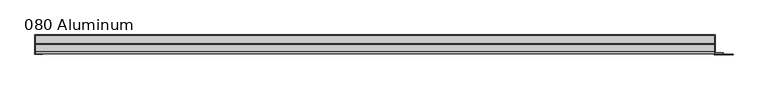
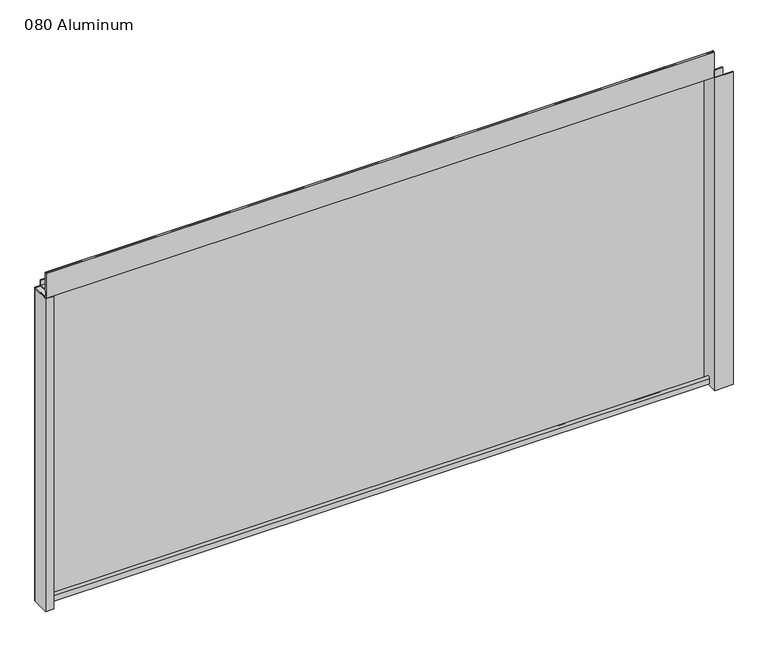
"""IFC4 building model written with IfcOpenShell, lengths in millimetres: plate geometry, 080 Aluminum."""

import ifcopenshell
import ifcopenshell.guid

model = None  # the IFC model being written
_history = None  # IfcOwnerHistory: only IFC2X3 demands one
_inside = {}  # id of a spatial element -> (the spatial element, [elements in it])
_under = {}  # id of a project, library or spatial element -> (it, [spatial elements below it])
_declared = {}  # id of a project -> (the project, [libraries it declares])
_typed = {}  # id of a type object -> (the type object, [elements of that type])
_made_of = {}  # id of a material, layer set ... -> (it, [elements and type objects made of it])


def new_model(schema):
    """Start an empty IFC model of exactly this schema.

    Asked for "IFC4X3", IfcOpenShell would pick the latest addendum, in which some entities
    have other attributes; the version numbers below select the first issue.
    IFC2X3 requires an IfcOwnerHistory on every rooted entity: one is made here for all.
    """
    global model, _history
    if schema == "IFC4X3":
        model = ifcopenshell.file(schema_version=(4, 3, 0, 0))
    else:
        model = ifcopenshell.file(schema=schema)
    _inside.clear()
    _under.clear()
    _declared.clear()
    _typed.clear()
    _made_of.clear()
    _history = None
    if model.schema == "IFC2X3":
        org = make("IfcOrganization", Name="unknown")
        user = make(
            "IfcPersonAndOrganization",
            ThePerson=make("IfcPerson", FamilyName="unknown"),
            TheOrganization=org,
        )
        app = make(
            "IfcApplication",
            ApplicationDeveloper=org,
            Version="unknown",
            ApplicationFullName="unknown",
            ApplicationIdentifier="unknown",
        )
        _history = make(
            "IfcOwnerHistory",
            OwningUser=user,
            OwningApplication=app,
            ChangeAction="ADDED",
            CreationDate=0,
        )
    return model


def make(cls, **values):
    """One entity of the class cls with the attributes given. An attribute that is None is left unset."""
    return model.create_entity(
        cls, **{name: value for name, value in values.items() if value is not None}
    )


def rooted(cls, **values):
    """An entity with a GlobalId (a new one), such as an element, a storey or a relation."""
    return make(cls, GlobalId=ifcopenshell.guid.new(), OwnerHistory=_history, **values)


def si_unit(unit_type, name, prefix=None):
    """IfcSIUnit, for example si_unit("LENGTHUNIT", "METRE", prefix="MILLI")."""
    return make("IfcSIUnit", UnitType=unit_type, Prefix=prefix, Name=name)


def assignment(units):
    """IfcUnitAssignment: the units of a project."""
    return None if units is None else make("IfcUnitAssignment", Units=units)


def point(xyz):
    """IfcCartesianPoint."""
    return None if xyz is None else make("IfcCartesianPoint", Coordinates=xyz)


def direction(xyz):
    """IfcDirection."""
    return None if xyz is None else make("IfcDirection", DirectionRatios=xyz)


def frame(location, z_axis=None, x_axis=None):
    """IfcAxis2Placement3D, a coordinate frame: its origin and axes. An axis left out is left unset."""
    return make(
        "IfcAxis2Placement3D",
        Location=point(location),
        Axis=direction(z_axis),
        RefDirection=direction(x_axis),
    )


def frame_2d(location, x_axis=None):
    """IfcAxis2Placement2D, a coordinate frame in the plane: its origin and x axis."""
    return make(
        "IfcAxis2Placement2D", Location=point(location), RefDirection=direction(x_axis)
    )


def origin():
    """The frame at (0, 0, 0) with its axes left unset."""
    return frame((0.0, 0.0, 0.0))


def origin_with_axes():
    """The frame at (0, 0, 0) with the z axis (0, 0, 1) and the x axis (1, 0, 0) written out."""
    return frame((0.0, 0.0, 0.0), z_axis=(0.0, 0.0, 1.0), x_axis=(1.0, 0.0, 0.0))


def place(relative_to, where):
    """IfcLocalPlacement: puts the frame where relative to a parent placement (None: the world)."""
    return make(
        "IfcLocalPlacement", PlacementRelTo=relative_to, RelativePlacement=where
    )


def context(
    kind, dimensions, precision=None, world=None, true_north=None, identifier=None
):
    """IfcGeometricRepresentationContext, for example the 3D "Model" context."""
    return make(
        "IfcGeometricRepresentationContext",
        ContextIdentifier=identifier,
        ContextType=kind,
        CoordinateSpaceDimension=dimensions,
        Precision=precision,
        WorldCoordinateSystem=world,
        TrueNorth=true_north,
    )


def project(units=None, contexts=None):
    """IfcProject with its units and contexts."""
    return rooted(
        "IfcProject",
        Name="project",
        RepresentationContexts=contexts,
        UnitsInContext=assignment(units),
    )


def spatial(cls, under=None, at=None, **own):
    """A site, building, storey or space (cls), placed at a placement, below another one or the project."""
    s = rooted(cls, ObjectPlacement=at, **own)
    if under is not None:
        _under.setdefault(under.id(), (under, []))[1].append(s)
    return s


def polyline(points):
    """IfcPolyline through the points."""
    return make("IfcPolyline", Points=[point(p) for p in points])


def circle_curve(where, radius):
    """IfcCircle in the frame where."""
    return make("IfcCircle", Position=where, Radius=radius)


def trimmed(basis, trim1, trim2, sense, master):
    """IfcTrimmedCurve: the piece of a basis curve between two trims."""
    return make(
        "IfcTrimmedCurve",
        BasisCurve=basis,
        Trim1=trim1,
        Trim2=trim2,
        SenseAgreement=sense,
        MasterRepresentation=master,
    )


def segment(curve, same_sense, transition):
    """IfcCompositeCurveSegment."""
    return make(
        "IfcCompositeCurveSegment",
        Transition=transition,
        SameSense=same_sense,
        ParentCurve=curve,
    )


def composite_curve(segments, self_intersect=None):
    """IfcCompositeCurve: segments joined end to end."""
    return make("IfcCompositeCurve", Segments=segments, SelfIntersect=self_intersect)


def outline(outer, holes=None, kind="AREA"):
    """IfcArbitraryClosedProfileDef: a profile drawn as a closed curve; with holes, ...WithVoids."""
    if holes is None:
        return make("IfcArbitraryClosedProfileDef", ProfileType=kind, OuterCurve=outer)
    return make(
        "IfcArbitraryProfileDefWithVoids",
        ProfileType=kind,
        OuterCurve=outer,
        InnerCurves=holes,
    )


def extrude(swept, where, along, depth):
    """IfcExtrudedAreaSolid: the profile swept, set in the frame where, extruded along a direction by depth."""
    return make(
        "IfcExtrudedAreaSolid",
        SweptArea=swept,
        Position=where,
        ExtrudedDirection=direction(along),
        Depth=depth,
    )


def shape(context_of_items, identifier, shape_type, items):
    """IfcShapeRepresentation: the items that make up one representation, for example the "Body"."""
    return make(
        "IfcShapeRepresentation",
        ContextOfItems=context_of_items,
        RepresentationIdentifier=identifier,
        RepresentationType=shape_type,
        Items=items,
    )


def source(mapping_origin, context_of_items, identifier, shape_type, items):
    """IfcRepresentationMap: a shape defined once, which mapped items show again and again."""
    return make(
        "IfcRepresentationMap",
        MappingOrigin=mapping_origin,
        MappedRepresentation=shape(context_of_items, identifier, shape_type, items),
    )


def transform(
    local_origin,
    x_axis=None,
    y_axis=None,
    z_axis=None,
    scale=None,
    scale2=None,
    scale3=None,
    uniform=True,
):
    """IfcCartesianTransformationOperator3D, or its non-uniform kind. x_axis, y_axis, z_axis: its Axis1, 2, 3."""
    if uniform:
        return make(
            "IfcCartesianTransformationOperator3D",
            Axis1=direction(x_axis),
            Axis2=direction(y_axis),
            LocalOrigin=point(local_origin),
            Scale=scale,
            Axis3=direction(z_axis),
        )
    return make(
        "IfcCartesianTransformationOperator3DnonUniform",
        Axis1=direction(x_axis),
        Axis2=direction(y_axis),
        LocalOrigin=point(local_origin),
        Scale=scale,
        Axis3=direction(z_axis),
        Scale2=scale2,
        Scale3=scale3,
    )


def mapped(mapping_source, mapping_target):
    """IfcMappedItem: shows the shape of a source again, moved by a transform."""
    return make(
        "IfcMappedItem", MappingSource=mapping_source, MappingTarget=mapping_target
    )


def made_of(thing, what):
    """Note that an element or type object is made of a material, layer set ...; save() writes the relation."""
    if what is not None:
        _made_of.setdefault(what.id(), (what, []))[1].append(thing)
    return thing


def element(
    cls,
    number,
    at=None,
    inside=None,
    cuts=None,
    type_object=None,
    material=None,
    context=None,
    identifier="Body",
    shape_type=None,
    held_by="IfcProductDefinitionShape",
    body=None,
    shapes=None,
    **own,
):
    """One element of the class cls, such as IfcWall. Its Tag is "e" and its number.

    at: its placement. inside: the storey or other place that contains it. cuts: it is an
    opening in that element (IfcRelVoidsElement). A single representation is given by context,
    identifier, shape_type and body (its items); several are given by shapes. held_by: the class
    of the entity that holds the representations. save() writes the other relations.
    """
    e = rooted(cls, Tag="e%d" % number, ObjectPlacement=at, **own)
    if body is not None:
        shapes = [shape(context, identifier, shape_type, body)]
    if shapes is not None:
        e.Representation = make(held_by, Representations=shapes)
    if inside is not None:
        _inside.setdefault(inside.id(), (inside, []))[1].append(e)
    if cuts is not None:
        rooted(
            "IfcRelVoidsElement", RelatingBuildingElement=cuts, RelatedOpeningElement=e
        )
    if type_object is not None:
        _typed.setdefault(type_object.id(), (type_object, []))[1].append(e)
    return made_of(e, material)


def aggregate(whole, parts):
    """IfcRelAggregates: a whole, such as a stair, and the parts it consists of."""
    return rooted("IfcRelAggregates", RelatingObject=whole, RelatedObjects=parts)


def save(model, path):
    """Write the relations noted so far, then the file.

    IfcRelAggregates (storeys below a building ...), IfcRelContainedInSpatialStructure (elements
    in a storey), IfcRelDefinesByType, IfcRelAssociatesMaterial and IfcRelDeclares: one each for
    every whole, place, type object, material and project.
    """
    for whole, parts in _under.values():
        aggregate(whole, parts)
    for where, things in _inside.values():
        rooted(
            "IfcRelContainedInSpatialStructure",
            RelatedElements=things,
            RelatingStructure=where,
        )
    for kind, things in _typed.values():
        rooted("IfcRelDefinesByType", RelatedObjects=things, RelatingType=kind)
    for what, things in _made_of.values():
        rooted("IfcRelAssociatesMaterial", RelatedObjects=things, RelatingMaterial=what)
    for by, libraries in _declared.values():
        rooted("IfcRelDeclares", RelatingContext=by, RelatedDefinitions=libraries)
    model.write(path)


def plate_080_aluminum_cf8f4ef0(model_context):
    return source(origin(), model_context, "Body", "SweptSolid", [
        extrude(outline(polyline([(-621.03, 2.5660257), (-608.1394994, 2.5660257), (-608.1394994, 1.2699999), (-622.2999999, 1.2699999), (-622.2999999, 34.7980001), (-621.03, 34.7980001), (-621.03, 2.5660257)])), origin_with_axes(), (0.0, 0.0, 1.0), 608.33),
        extrude(outline(composite_curve([segment(trimmed(circle_curve(frame_2d((19.8514743, 13.124237)), 3.175), [point((16.6765477, 13.1458337))], [point((23.0264743, 13.124237))], False, "CARTESIAN"), True, "CONTINUOUS"), segment(polyline([(23.0264743, 13.124237), (23.0264743, 1.2693678), (34.7980002, 1.2693678), (34.7980002, 0.0), (21.7564743, 0.0), (21.7564743, 13.124237)]), True, "CONTINUOUS"), segment(trimmed(circle_curve(frame_2d((19.8514743, 13.124237)), 1.905), [point((21.7564743, 13.124237))], [point((17.9464915, 13.1323356))], True, "CARTESIAN"), True, "CONTINUOUS"), segment(polyline([(17.9464915, 13.1323356), (17.9464915, 2.786437), (16.6765477, 2.786437), (16.6765477, 13.1458337)]), True, "CONTINUOUS")], self_intersect=False)), frame((-621.03, 0.0, 0.0), z_axis=(1.0, 0.0, 0.0), x_axis=(0.0, 1.0, 0.0)), (0.0, 0.0, 1.0), 1229.36),
        extrude(outline(composite_curve([segment(trimmed(circle_curve(frame_2d((3.7084742, 656.7932001)), 1.6509999), [point((2.0574743, 656.7932001))], [point((5.3594742, 656.7932001))], False, "CARTESIAN"), True, "CONTINUOUS"), segment(polyline([(5.3594742, 656.7932001), (5.3594742, 623.57), (19.2164743, 623.57), (19.2164743, 633.6538), (20.4864742, 633.6538), (20.4864742, 622.3), (4.0894742, 622.3), (4.0894742, 656.7932001)]), True, "CONTINUOUS"), segment(trimmed(circle_curve(frame_2d((3.7084742, 656.7932001)), 0.3809999), [point((4.0894742, 656.7932001))], [point((3.3274743, 656.7932001))], True, "CARTESIAN"), True, "CONTINUOUS"), segment(polyline([(3.3274743, 656.7932001), (3.3274743, 609.6000001), (34.7980002, 609.6000001), (34.7980002, 608.33), (2.0574743, 608.33), (2.0574743, 656.7932001)]), True, "CONTINUOUS")], self_intersect=False)), frame((-621.03, 0.0, 0.0), z_axis=(1.0, 0.0, 0.0), x_axis=(0.0, 1.0, 0.0)), (0.0, 0.0, 1.0), 1229.36),
        extrude(outline(polyline([(-622.3, 36.068), (609.6, 36.068), (609.6, 34.7980001), (-622.3, 34.7980001), (-622.3, 36.068)])), origin_with_axes(), (0.0, 0.0, 1.0), 609.6),
        extrude(outline(polyline([(609.6, 1.2699999), (642.1120856, 1.2699999), (642.1120856, 0.0), (608.3300001, 0.0), (608.3300001, 34.7980002), (609.6, 34.7980002), (609.6, 1.2699999)])), origin_with_axes(), (0.0, 0.0, 1.0), 608.33),
        extrude(outline(polyline([(608.33, 3.3274743), (624.0779999, 3.3274743), (624.0779999, 2.0574743), (608.33, 2.0574743), (608.33, 3.3274743)])), origin_with_axes(), (0.0, 0.0, 1.0), 622.3),
    ])


if __name__ == "__main__":
    model = new_model("IFC4")
    model_context = context("Model", 3, world=origin())
    ifc_project = project(units=[si_unit("LENGTHUNIT", "METRE", prefix="MILLI")], contexts=[model_context])
    site = spatial("IfcSite", under=ifc_project)
    building = spatial("IfcBuilding", under=site)
    placement = place(None, origin())
    plate_080_aluminum_shape = plate_080_aluminum_cf8f4ef0(model_context)
    element("IfcPlate", 1, ObjectType="080 Aluminum", at=placement, inside=building, context=model_context, shape_type="MappedRepresentation", body=[
        mapped(plate_080_aluminum_shape, transform((0.0, 0.0, 0.0), x_axis=(1.0, 0.0, 0.0), y_axis=(0.0, 1.0, 0.0), z_axis=(0.0, 0.0, 1.0))),
    ])
    save(model, "model.ifc")
